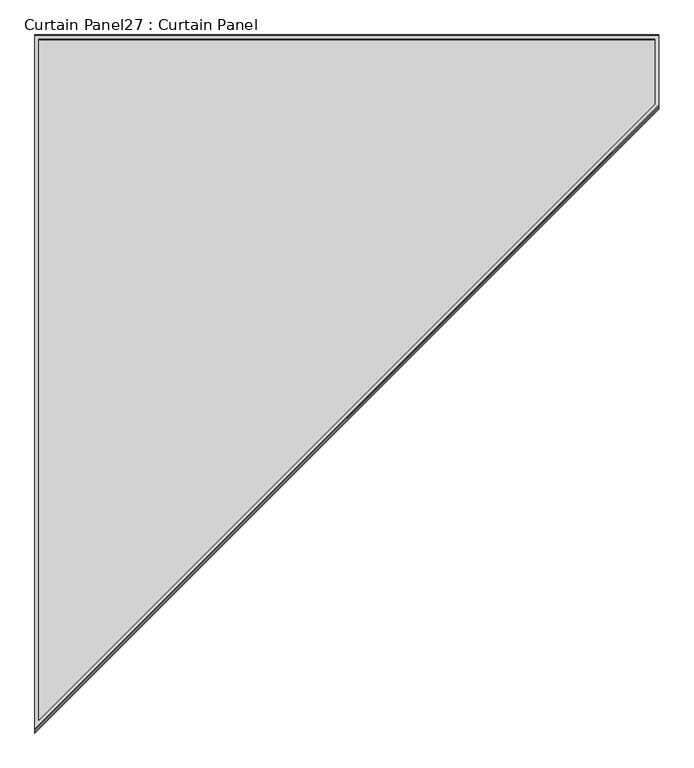
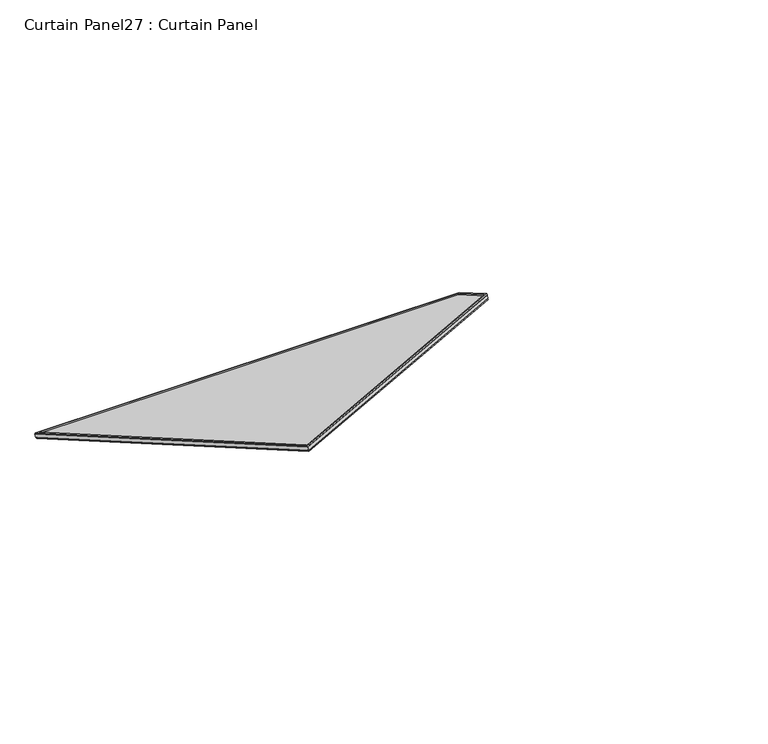
"""IFC4 building model written with IfcOpenShell, lengths in millimetres: plate geometry, Curtain Panel27 : Curtain Panel."""

from ifc_helpers import new_model, si_unit, frame, origin, place, context, project, spatial, polyline, outline, extrude, source, transform, mapped, element, save


def curtain_panel27_curtain_panel_6fdda1e2(model_context):
    return source(origin(), model_context, "Body", "SweptSolid", [
        extrude(outline(polyline([(2302.9137124, -11.1252), (-11.1252, -11.1252), (-11.1252, 1792.2748), (220.5267615, 1792.2748), (2302.9137124, -11.1252)]), holes=[polyline([(216.3790122, 1781.1496), (0.0, 1781.1496), (0.0, 0.0), (2273.0734142, 0.0), (216.3790122, 1781.1496)])]), frame((13574.4374101, 14596.7288215, 893.2951687), z_axis=(0.0, 0.49999999999999956, 0.8660254037844389), x_axis=(0.0, -0.8660254037844389, 0.49999999999999956)), (0.0, 0.0, 1.0), 4.8617188),
        extrude(outline(polyline([(2302.9137124, -11.1252), (-11.1252, -11.1252), (-11.1252, 1792.2748), (220.5267615, 1792.2748), (2302.9137124, -11.1252)]), holes=[polyline([(216.3790122, 1781.1496), (0.0, 1781.1496), (0.0, 0.0), (2273.0734142, 0.0), (216.3790122, 1781.1496)])]), frame((13574.4374101, 14605.519275, 908.5206808), z_axis=(0.0, 0.49999999999999956, 0.866025403784439), x_axis=(0.0, -0.866025403784439, 0.49999999999999956)), (0.0, 0.0, 1.0), 4.898093),
        extrude(outline(polyline([(12.7, 0.0), (1816.1, 0.0), (1816.1, -237.6499405), (12.7, -2320.0368914), (12.7, 0.0)])), frame((13550.6122101, 14613.9444764, 888.8671997), z_axis=(0.0, 0.49999999999999867, 0.8660254037844395), x_axis=(1.0, 0.0, 0.0)), (0.0, 0.0, 1.0), 12.9321645),
    ])


if __name__ == "__main__":
    model = new_model("IFC4")
    model_context = context("Model", 3, world=origin())
    ifc_project = project(units=[si_unit("LENGTHUNIT", "METRE", prefix="MILLI")], contexts=[model_context])
    site = spatial("IfcSite", under=ifc_project)
    building = spatial("IfcBuilding", under=site)
    placement = place(None, origin())
    curtain_panel27_curtain_panel_shape = curtain_panel27_curtain_panel_6fdda1e2(model_context)
    element("IfcPlate", 1, ObjectType="Curtain Panel27 : Curtain Panel", at=placement, inside=building, context=model_context, shape_type="MappedRepresentation", body=[
        mapped(curtain_panel27_curtain_panel_shape, transform((0.0, 0.0, 0.0), x_axis=(1.0, 0.0, 0.0), y_axis=(0.0, 1.0, 0.0), z_axis=(0.0, 0.0, 1.0))),
    ])
    save(model, "model.ifc")
